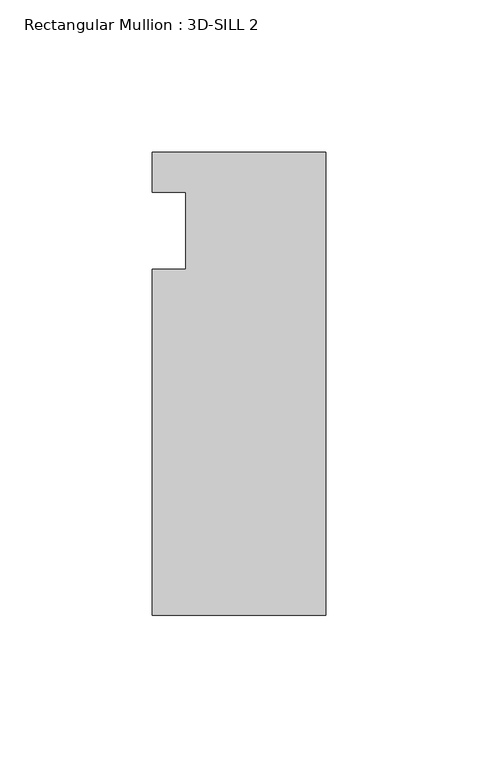
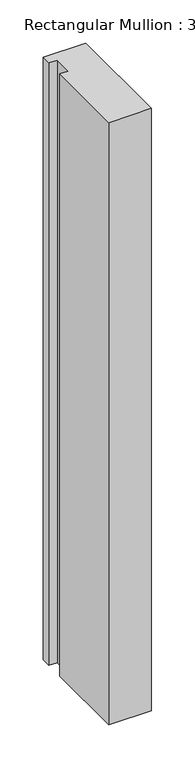
"""IFC4 building model written with IfcOpenShell, lengths in millimetres: member geometry, Rectangular Mullion : 3D-SILL 2."""

from ifc_helpers import new_model, si_unit, frame, origin, place, context, project, spatial, polyline, outline, extrude, source, transform, mapped, element, save


def rectangular_mullion_3d_sill_2_73d590b3(model_context):
    return source(origin(), model_context, "Body", "SweptSolid", [
        extrude(outline(polyline([(-57.15, 76.2), (0.0, 76.2), (0.0, -76.2), (-57.15, -76.2), (-57.15, 37.6047), (-46.0375, 37.6047), (-46.0375, 63.0047), (-57.15, 63.0047), (-57.15, 76.2)])), frame((0.0, 0.0, -852.8033959), z_axis=(0.0, 0.0, 1.0), x_axis=(1.0, 0.0, 0.0)), (0.0, 0.0, 1.0), 852.8033959),
    ])


if __name__ == "__main__":
    model = new_model("IFC4")
    model_context = context("Model", 3, world=origin())
    ifc_project = project(units=[si_unit("LENGTHUNIT", "METRE", prefix="MILLI")], contexts=[model_context])
    site = spatial("IfcSite", under=ifc_project)
    building = spatial("IfcBuilding", under=site)
    placement = place(None, origin())
    rectangular_mullion_3d_sill_2_shape = rectangular_mullion_3d_sill_2_73d590b3(model_context)
    element("IfcMember", 1, ObjectType="Rectangular Mullion : 3D-SILL 2", at=placement, inside=building, context=model_context, shape_type="MappedRepresentation", body=[
        mapped(rectangular_mullion_3d_sill_2_shape, transform((0.0, 0.0, 0.0), x_axis=(1.0, 0.0, 0.0), y_axis=(0.0, 1.0, 0.0), z_axis=(0.0, 0.0, 1.0))),
    ])
    save(model, "model.ifc")
